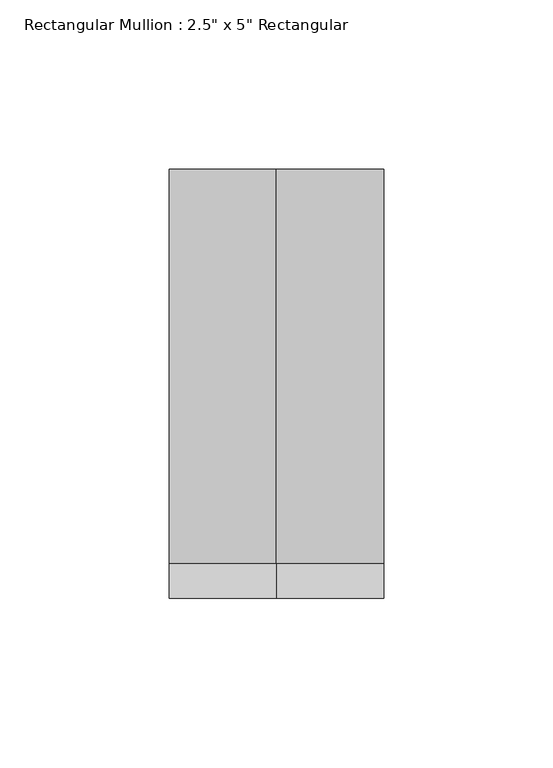
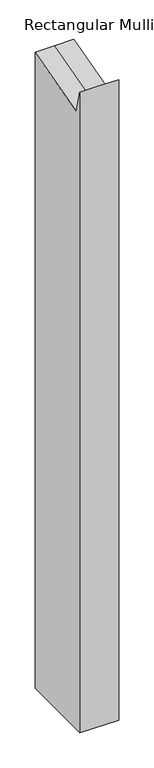
"""IFC4 building model written with IfcOpenShell, lengths in millimetres: member geometry."""

from ifc_helpers import new_model, si_unit, origin, place, context, project, spatial, faceted_brep, source, transform, mapped, element, save


def member_64534d09(model_context):
    return source(origin(), model_context, "Body", "Brep", [
        faceted_brep([(31.75, 63.5, -1088.0706742), (31.75, -63.5, -1088.0706742), (-31.75, -63.5, -1088.0706742), (-31.75, 63.5, -1088.0706742), (-31.75, 63.5, 15.894755), (0.0, 63.5, 15.894755), (31.75, 63.5, 15.894755), (-31.75, -63.5, 23.3900664), (-31.75, -53.1187853, -15.3531543), (31.75, -63.5, 23.3900664), (0.0, -63.5, 23.3900664), (31.75, -53.1187853, -15.3531543), (0.0, -53.1187853, -15.3531543)], [[[0, 1, 2, 3]], [[4, 5, 6, 0, 3]], [[7, 8, 4, 3, 2]], [[9, 10, 7, 2, 1]], [[6, 11, 9, 1, 0]], [[6, 5, 12, 11]], [[5, 4, 8, 12]], [[8, 7, 10, 12]], [[10, 9, 11, 12]]]),
    ])


if __name__ == "__main__":
    model = new_model("IFC4")
    model_context = context("Model", 3, world=origin())
    ifc_project = project(units=[si_unit("LENGTHUNIT", "METRE", prefix="MILLI")], contexts=[model_context])
    site = spatial("IfcSite", under=ifc_project)
    building = spatial("IfcBuilding", under=site)
    placement = place(None, origin())
    member_shape = member_64534d09(model_context)
    element("IfcMember", 1, ObjectType="Rectangular Mullion : 2.5\" x 5\" Rectangular", at=placement, inside=building, context=model_context, shape_type="MappedRepresentation", body=[
        mapped(member_shape, transform((0.0, 0.0, 0.0), x_axis=(1.0, 0.0, 0.0), y_axis=(0.0, 1.0, 0.0), z_axis=(0.0, 0.0, 1.0))),
    ])
    save(model, "model.ifc")
